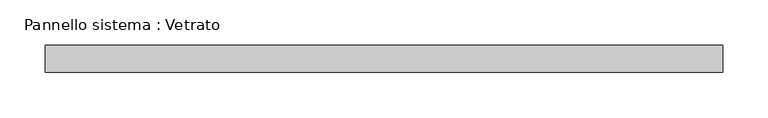
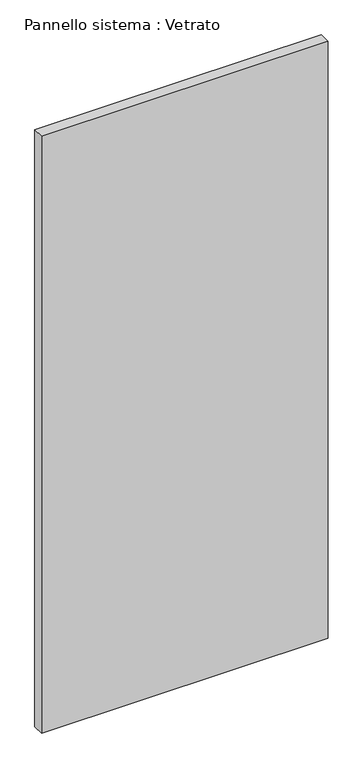
"""IFC4 building model written with IfcOpenShell, lengths in millimetres: plate geometry, Pannello sistema : Vetrato."""

from ifc_helpers import new_model, si_unit, origin, origin_with_axes, place, context, project, spatial, polyline, outline, extrude, source, transform, mapped, element, save


def pannello_sistema_vetrato_5dc811b5(model_context):
    return source(origin(), model_context, "Body", "SweptSolid", [
        extrude(outline(polyline([(375.0, -15.0), (-375.0, -15.0), (-375.0, 15.0), (375.0, 15.0), (375.0, -15.0)])), origin_with_axes(), (0.0, 0.0, 1.0), 1650.0),
    ])


if __name__ == "__main__":
    model = new_model("IFC4")
    model_context = context("Model", 3, world=origin())
    ifc_project = project(units=[si_unit("LENGTHUNIT", "METRE", prefix="MILLI")], contexts=[model_context])
    site = spatial("IfcSite", under=ifc_project)
    building = spatial("IfcBuilding", under=site)
    placement = place(None, origin())
    pannello_sistema_vetrato_shape = pannello_sistema_vetrato_5dc811b5(model_context)
    element("IfcPlate", 1, ObjectType="Pannello sistema : Vetrato", at=placement, inside=building, context=model_context, shape_type="MappedRepresentation", body=[
        mapped(pannello_sistema_vetrato_shape, transform((0.0, 0.0, 0.0), x_axis=(1.0, 0.0, 0.0), y_axis=(0.0, 1.0, 0.0), z_axis=(0.0, 0.0, 1.0))),
    ])
    save(model, "model.ifc")
